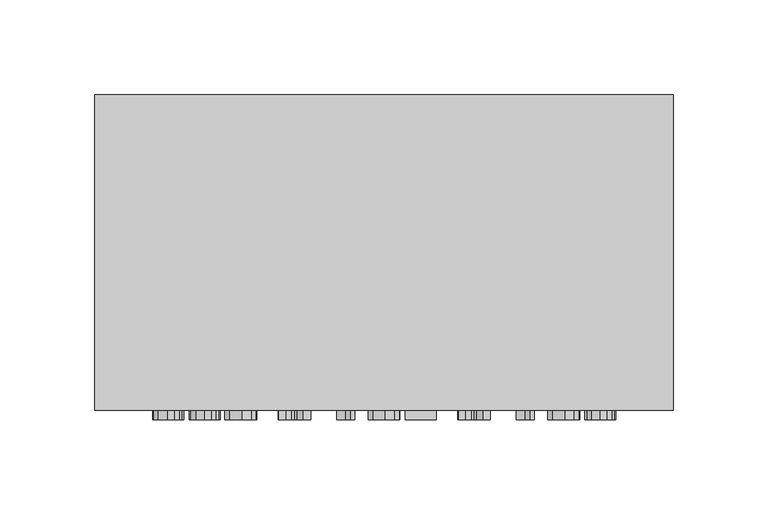
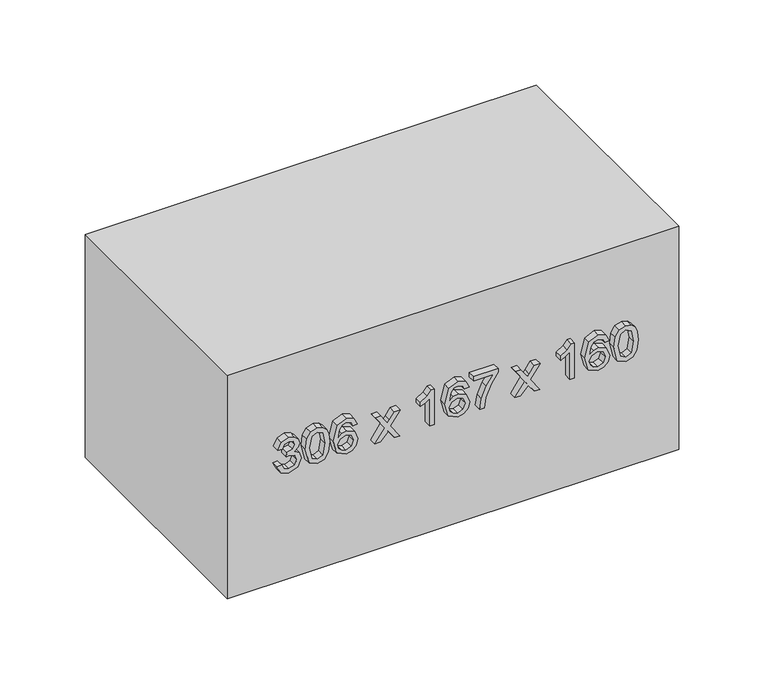
"""IFC4 building model written with IfcOpenShell, lengths in millimetres: furniture geometry."""

import ifcopenshell
import ifcopenshell.guid

model = None  # the IFC model being written
_history = None  # IfcOwnerHistory: only IFC2X3 demands one
_inside = {}  # id of a spatial element -> (the spatial element, [elements in it])
_under = {}  # id of a project, library or spatial element -> (it, [spatial elements below it])
_declared = {}  # id of a project -> (the project, [libraries it declares])
_typed = {}  # id of a type object -> (the type object, [elements of that type])
_made_of = {}  # id of a material, layer set ... -> (it, [elements and type objects made of it])


def new_model(schema):
    """Start an empty IFC model of exactly this schema.

    Asked for "IFC4X3", IfcOpenShell would pick the latest addendum, in which some entities
    have other attributes; the version numbers below select the first issue.
    IFC2X3 requires an IfcOwnerHistory on every rooted entity: one is made here for all.
    """
    global model, _history
    if schema == "IFC4X3":
        model = ifcopenshell.file(schema_version=(4, 3, 0, 0))
    else:
        model = ifcopenshell.file(schema=schema)
    _inside.clear()
    _under.clear()
    _declared.clear()
    _typed.clear()
    _made_of.clear()
    _history = None
    if model.schema == "IFC2X3":
        org = make("IfcOrganization", Name="unknown")
        user = make(
            "IfcPersonAndOrganization",
            ThePerson=make("IfcPerson", FamilyName="unknown"),
            TheOrganization=org,
        )
        app = make(
            "IfcApplication",
            ApplicationDeveloper=org,
            Version="unknown",
            ApplicationFullName="unknown",
            ApplicationIdentifier="unknown",
        )
        _history = make(
            "IfcOwnerHistory",
            OwningUser=user,
            OwningApplication=app,
            ChangeAction="ADDED",
            CreationDate=0,
        )
    return model


def make(cls, **values):
    """One entity of the class cls with the attributes given. An attribute that is None is left unset."""
    return model.create_entity(
        cls, **{name: value for name, value in values.items() if value is not None}
    )


def rooted(cls, **values):
    """An entity with a GlobalId (a new one), such as an element, a storey or a relation."""
    return make(cls, GlobalId=ifcopenshell.guid.new(), OwnerHistory=_history, **values)


def si_unit(unit_type, name, prefix=None):
    """IfcSIUnit, for example si_unit("LENGTHUNIT", "METRE", prefix="MILLI")."""
    return make("IfcSIUnit", UnitType=unit_type, Prefix=prefix, Name=name)


def assignment(units):
    """IfcUnitAssignment: the units of a project."""
    return None if units is None else make("IfcUnitAssignment", Units=units)


def point(xyz):
    """IfcCartesianPoint."""
    return None if xyz is None else make("IfcCartesianPoint", Coordinates=xyz)


def direction(xyz):
    """IfcDirection."""
    return None if xyz is None else make("IfcDirection", DirectionRatios=xyz)


def frame(location, z_axis=None, x_axis=None):
    """IfcAxis2Placement3D, a coordinate frame: its origin and axes. An axis left out is left unset."""
    return make(
        "IfcAxis2Placement3D",
        Location=point(location),
        Axis=direction(z_axis),
        RefDirection=direction(x_axis),
    )


def origin():
    """The frame at (0, 0, 0) with its axes left unset."""
    return frame((0.0, 0.0, 0.0))


def origin_with_axes():
    """The frame at (0, 0, 0) with the z axis (0, 0, 1) and the x axis (1, 0, 0) written out."""
    return frame((0.0, 0.0, 0.0), z_axis=(0.0, 0.0, 1.0), x_axis=(1.0, 0.0, 0.0))


def place(relative_to, where):
    """IfcLocalPlacement: puts the frame where relative to a parent placement (None: the world)."""
    return make(
        "IfcLocalPlacement", PlacementRelTo=relative_to, RelativePlacement=where
    )


def context(
    kind, dimensions, precision=None, world=None, true_north=None, identifier=None
):
    """IfcGeometricRepresentationContext, for example the 3D "Model" context."""
    return make(
        "IfcGeometricRepresentationContext",
        ContextIdentifier=identifier,
        ContextType=kind,
        CoordinateSpaceDimension=dimensions,
        Precision=precision,
        WorldCoordinateSystem=world,
        TrueNorth=true_north,
    )


def project(units=None, contexts=None):
    """IfcProject with its units and contexts."""
    return rooted(
        "IfcProject",
        Name="project",
        RepresentationContexts=contexts,
        UnitsInContext=assignment(units),
    )


def spatial(cls, under=None, at=None, **own):
    """A site, building, storey or space (cls), placed at a placement, below another one or the project."""
    s = rooted(cls, ObjectPlacement=at, **own)
    if under is not None:
        _under.setdefault(under.id(), (under, []))[1].append(s)
    return s


def polyline(points):
    """IfcPolyline through the points."""
    return make("IfcPolyline", Points=[point(p) for p in points])


def outline(outer, holes=None, kind="AREA"):
    """IfcArbitraryClosedProfileDef: a profile drawn as a closed curve; with holes, ...WithVoids."""
    if holes is None:
        return make("IfcArbitraryClosedProfileDef", ProfileType=kind, OuterCurve=outer)
    return make(
        "IfcArbitraryProfileDefWithVoids",
        ProfileType=kind,
        OuterCurve=outer,
        InnerCurves=holes,
    )


def extrude(swept, where, along, depth):
    """IfcExtrudedAreaSolid: the profile swept, set in the frame where, extruded along a direction by depth."""
    return make(
        "IfcExtrudedAreaSolid",
        SweptArea=swept,
        Position=where,
        ExtrudedDirection=direction(along),
        Depth=depth,
    )


def shape(context_of_items, identifier, shape_type, items):
    """IfcShapeRepresentation: the items that make up one representation, for example the "Body"."""
    return make(
        "IfcShapeRepresentation",
        ContextOfItems=context_of_items,
        RepresentationIdentifier=identifier,
        RepresentationType=shape_type,
        Items=items,
    )


def source(mapping_origin, context_of_items, identifier, shape_type, items):
    """IfcRepresentationMap: a shape defined once, which mapped items show again and again."""
    return make(
        "IfcRepresentationMap",
        MappingOrigin=mapping_origin,
        MappedRepresentation=shape(context_of_items, identifier, shape_type, items),
    )


def transform(
    local_origin,
    x_axis=None,
    y_axis=None,
    z_axis=None,
    scale=None,
    scale2=None,
    scale3=None,
    uniform=True,
):
    """IfcCartesianTransformationOperator3D, or its non-uniform kind. x_axis, y_axis, z_axis: its Axis1, 2, 3."""
    if uniform:
        return make(
            "IfcCartesianTransformationOperator3D",
            Axis1=direction(x_axis),
            Axis2=direction(y_axis),
            LocalOrigin=point(local_origin),
            Scale=scale,
            Axis3=direction(z_axis),
        )
    return make(
        "IfcCartesianTransformationOperator3DnonUniform",
        Axis1=direction(x_axis),
        Axis2=direction(y_axis),
        LocalOrigin=point(local_origin),
        Scale=scale,
        Axis3=direction(z_axis),
        Scale2=scale2,
        Scale3=scale3,
    )


def mapped(mapping_source, mapping_target):
    """IfcMappedItem: shows the shape of a source again, moved by a transform."""
    return make(
        "IfcMappedItem", MappingSource=mapping_source, MappingTarget=mapping_target
    )


def made_of(thing, what):
    """Note that an element or type object is made of a material, layer set ...; save() writes the relation."""
    if what is not None:
        _made_of.setdefault(what.id(), (what, []))[1].append(thing)
    return thing


def element(
    cls,
    number,
    at=None,
    inside=None,
    cuts=None,
    type_object=None,
    material=None,
    context=None,
    identifier="Body",
    shape_type=None,
    held_by="IfcProductDefinitionShape",
    body=None,
    shapes=None,
    **own,
):
    """One element of the class cls, such as IfcWall. Its Tag is "e" and its number.

    at: its placement. inside: the storey or other place that contains it. cuts: it is an
    opening in that element (IfcRelVoidsElement). A single representation is given by context,
    identifier, shape_type and body (its items); several are given by shapes. held_by: the class
    of the entity that holds the representations. save() writes the other relations.
    """
    e = rooted(cls, Tag="e%d" % number, ObjectPlacement=at, **own)
    if body is not None:
        shapes = [shape(context, identifier, shape_type, body)]
    if shapes is not None:
        e.Representation = make(held_by, Representations=shapes)
    if inside is not None:
        _inside.setdefault(inside.id(), (inside, []))[1].append(e)
    if cuts is not None:
        rooted(
            "IfcRelVoidsElement", RelatingBuildingElement=cuts, RelatedOpeningElement=e
        )
    if type_object is not None:
        _typed.setdefault(type_object.id(), (type_object, []))[1].append(e)
    return made_of(e, material)


def aggregate(whole, parts):
    """IfcRelAggregates: a whole, such as a stair, and the parts it consists of."""
    return rooted("IfcRelAggregates", RelatingObject=whole, RelatedObjects=parts)


def save(model, path):
    """Write the relations noted so far, then the file.

    IfcRelAggregates (storeys below a building ...), IfcRelContainedInSpatialStructure (elements
    in a storey), IfcRelDefinesByType, IfcRelAssociatesMaterial and IfcRelDeclares: one each for
    every whole, place, type object, material and project.
    """
    for whole, parts in _under.values():
        aggregate(whole, parts)
    for where, things in _inside.values():
        rooted(
            "IfcRelContainedInSpatialStructure",
            RelatedElements=things,
            RelatingStructure=where,
        )
    for kind, things in _typed.values():
        rooted("IfcRelDefinesByType", RelatedObjects=things, RelatingType=kind)
    for what, things in _made_of.values():
        rooted("IfcRelAssociatesMaterial", RelatedObjects=things, RelatingMaterial=what)
    for by, libraries in _declared.values():
        rooted("IfcRelDeclares", RelatingContext=by, RelatedDefinitions=libraries)
    model.write(path)


def furniture_bbf258a0(model_context):
    return source(origin(), model_context, "Body", "SweptSolid", [
        extrude(outline(polyline([(86.6709268, -77.5345978), (81.5757612, -75.0391316), (79.6075925, -69.5331644), (81.9129864, -63.4569801), (87.5293182, -61.0534844), (91.6128083, -62.2552323), (93.7587866, -65.6765349), (95.8373199, -63.1013609), (98.7313249, -62.2307068), (101.8981758, -63.1473461), (104.2526205, -65.7960965), (105.1140775, -69.5822154), (103.3666381, -74.5731478), (98.4431507, -77.1421904), (98.0507432, -74.0029307), (100.9937992, -72.4639577), (101.9748178, -69.4718508), (101.0029962, -66.5165321), (98.5473839, -65.3699665), (95.7760062, -66.9518591), (94.9114835, -71.0169551), (91.7722238, -71.366443), (92.1155804, -69.1652824), (90.8310591, -65.5968271), (87.5845005, -64.1927441), (84.1386724, -65.6090898), (82.7468522, -69.4227998), (83.7585277, -72.6632271), (87.0633343, -74.3953381), (86.6709268, -77.5345978)])), frame((0.0, -172.0, 0.0), z_axis=(0.0, 1.0, 0.0), x_axis=(0.0, 0.0, 1.0)), (0.0, 0.0, 1.0), 5.0),
        extrude(outline(polyline([(92.3547037, -58.3066322), (81.9988255, -55.8050346), (79.6075925, -50.0660755), (80.9840843, -45.4706163), (85.159545, -42.7390925), (92.3547037, -41.8255188), (98.256144, -42.3957359), (101.9717522, -43.8672639), (104.3047371, -46.3995183), (105.1140775, -50.0660755), (103.7467828, -54.6431407), (99.5805192, -57.3838615), (92.3547037, -58.3066322)]), holes=[polyline([(92.360835, -55.1673725), (100.2948234, -53.6467936), (101.9748178, -50.1028637), (100.0679628, -46.3872556), (92.360835, -44.9647785), (84.5709338, -46.4363065), (82.7468522, -50.0660755), (84.5648024, -53.6958445), (92.360835, -55.1673725)])]), frame((0.0, -172.0, 0.0), z_axis=(0.0, 1.0, 0.0), x_axis=(0.0, 0.0, 1.0)), (0.0, 0.0, 1.0), 5.0),
        extrude(outline(polyline([(98.4431507, -22.9899607), (103.3421126, -25.3076172), (105.1140775, -30.2678928), (102.2507293, -36.7242218), (91.7231729, -39.4710741), (82.4280212, -36.9970676), (79.6075925, -30.5989866), (80.6713846, -26.4848396), (83.7370679, -23.6337542), (88.0688784, -22.5975532), (93.8507571, -24.7987138), (96.0887059, -30.1330028), (95.2701685, -33.5635024), (92.7655052, -36.3318144), (98.3603772, -35.4397005), (101.2145284, -33.2967879), (101.9748178, -30.4640965), (100.6688368, -27.3187055), (98.0507432, -26.1292204), (98.4431507, -22.9899607)]), holes=[polyline([(88.1179294, -36.3318144), (91.615874, -34.7713816), (92.9494462, -30.973), (91.615874, -27.1255674), (87.9646452, -25.7368129), (84.1509352, -27.1439615), (82.7468522, -30.8442413), (83.4243682, -33.673867), (85.3986683, -35.6052474), (88.1179294, -36.3318144)])]), frame((0.0, -172.0, 0.0), z_axis=(0.0, 1.0, 0.0), x_axis=(0.0, 0.0, 1.0)), (0.0, 0.0, 1.0), 5.0),
        extrude(outline(polyline([(80.0, -11.2177368), (80.0, -7.440815), (85.5734122, -1.9655047), (80.0, 1.8788622), (80.0, 5.655784), (89.2706263, -0.7331), (98.4431507, 5.9010387), (98.4431507, 2.1241169), (93.648422, -1.3462366), (91.9439021, -2.5786413), (94.0285667, -4.0011184), (98.4431507, -7.0484076), (98.4431507, -10.8253294), (89.2706263, -4.5100218), (80.0, -11.2177368)])), frame((0.0, -172.0, 0.0), z_axis=(0.0, 1.0, 0.0), x_axis=(0.0, 0.0, 1.0)), (0.0, 0.0, 1.0), 5.0),
        extrude(outline(polyline([(80.0, 29.2002317), (105.1140775, 29.2002317), (105.1140775, 27.1768807), (101.7724827, 24.3840433), (98.8355582, 19.7824526), (95.8679767, 19.7824526), (97.452935, 23.0872592), (99.5713221, 26.060972), (80.0, 26.060972), (80.0, 29.2002317)])), frame((0.0, -172.0, 0.0), z_axis=(0.0, 1.0, 0.0), x_axis=(0.0, 0.0, 1.0)), (0.0, 0.0, 1.0), 5.0),
        extrude(outline(polyline([(98.4431507, 52.7446794), (103.3421126, 50.4270228), (105.1140775, 45.4667473), (102.2507293, 39.0104182), (91.7231729, 36.263566), (82.4280212, 38.7375724), (79.6075925, 45.1356535), (80.6713846, 49.2498004), (83.7370679, 52.1008859), (88.0688784, 53.1370869), (93.8507571, 50.9359263), (96.0887059, 45.6016373), (95.2701685, 42.1711377), (92.7655052, 39.4028257), (98.3603772, 40.2949395), (101.2145284, 42.4378522), (101.9748178, 45.2705435), (100.6688368, 48.4159346), (98.0507432, 49.6054197), (98.4431507, 52.7446794)]), holes=[polyline([(88.1179294, 39.4028257), (91.615874, 40.9632585), (92.9494462, 44.7616401), (91.615874, 48.6090726), (87.9646452, 49.9978272), (84.1509352, 48.5906785), (82.7468522, 44.8903988), (83.4243682, 42.0607731), (85.3986683, 40.1293926), (88.1179294, 39.4028257)])]), frame((0.0, -172.0, 0.0), z_axis=(0.0, 1.0, 0.0), x_axis=(0.0, 0.0, 1.0)), (0.0, 0.0, 1.0), 5.0),
        extrude(outline(polyline([(101.5824104, 55.8839391), (101.5824104, 69.2257928), (95.0862275, 64.480115), (87.0817284, 61.0557468), (80.0, 59.8080137), (80.0, 62.9472734), (86.824211, 64.112233), (95.429584, 67.6898854), (102.1832843, 72.3650525), (104.7216701, 72.3650525), (104.7216701, 55.8839391), (101.5824104, 55.8839391)])), frame((0.0, -172.0, 0.0), z_axis=(0.0, 1.0, 0.0), x_axis=(0.0, 0.0, 1.0)), (0.0, 0.0, 1.0), 5.0),
        extrude(outline(polyline([(80.0, 83.7448689), (80.0, 87.5217907), (85.5734122, 92.997101), (80.0, 96.8414679), (80.0, 100.6183897), (89.2706263, 94.2295057), (98.4431507, 100.8636444), (98.4431507, 97.0867225), (93.648422, 93.6163691), (91.9439021, 92.3839644), (94.0285667, 90.9614873), (98.4431507, 87.9141981), (98.4431507, 84.1372763), (89.2706263, 90.4525839), (80.0, 83.7448689)])), frame((0.0, -172.0, 0.0), z_axis=(0.0, 1.0, 0.0), x_axis=(0.0, 0.0, 1.0)), (0.0, 0.0, 1.0), 5.0),
        extrude(outline(polyline([(80.0, 124.1628374), (105.1140775, 124.1628374), (105.1140775, 122.1394864), (101.7724827, 119.3466489), (98.8355582, 114.7450583), (95.8679767, 114.7450583), (97.452935, 118.0498649), (99.5713221, 121.0235777), (80.0, 121.0235777), (80.0, 124.1628374)])), frame((0.0, -172.0, 0.0), z_axis=(0.0, 1.0, 0.0), x_axis=(0.0, 0.0, 1.0)), (0.0, 0.0, 1.0), 5.0),
        extrude(outline(polyline([(98.4431507, 147.7072851), (103.3421126, 145.3896285), (105.1140775, 140.4293529), (102.2507293, 133.9730239), (91.7231729, 131.2261717), (82.4280212, 133.7001781), (79.6075925, 140.0982591), (80.6713846, 144.2124061), (83.7370679, 147.0634916), (88.0688784, 148.0996925), (93.8507571, 145.8985319), (96.0887059, 140.564243), (95.2701685, 137.1337434), (92.7655052, 134.3654314), (98.3603772, 135.2575452), (101.2145284, 137.4004579), (101.9748178, 140.2331492), (100.6688368, 143.3785403), (98.0507432, 144.5680254), (98.4431507, 147.7072851)]), holes=[polyline([(88.1179294, 134.3654314), (91.615874, 135.9258642), (92.9494462, 139.7242458), (91.615874, 143.5716783), (87.9646452, 144.9604329), (84.1509352, 143.5532842), (82.7468522, 139.8530045), (83.4243682, 137.0233788), (85.3986683, 135.0919983), (88.1179294, 134.3654314)])]), frame((0.0, -172.0, 0.0), z_axis=(0.0, 1.0, 0.0), x_axis=(0.0, 0.0, 1.0)), (0.0, 0.0, 1.0), 5.0),
        extrude(outline(polyline([(92.3547037, 150.8465448), (81.9988255, 153.3481423), (79.6075925, 159.0871015), (80.9840843, 163.6825607), (85.159545, 166.4140845), (92.3547037, 167.3276582), (98.256144, 166.7574411), (101.9717522, 165.2859131), (104.3047371, 162.7536587), (105.1140775, 159.0871015), (103.7467828, 154.5100363), (99.5805192, 151.7693154), (92.3547037, 150.8465448)]), holes=[polyline([(92.360835, 153.9858045), (100.2948234, 155.5063834), (101.9748178, 159.0503133), (100.0679628, 162.7659214), (92.360835, 164.1883985), (84.5709338, 162.7168705), (82.7468522, 159.0871015), (84.5648024, 155.4573324), (92.360835, 153.9858045)])]), frame((0.0, -172.0, 0.0), z_axis=(0.0, 1.0, 0.0), x_axis=(0.0, 0.0, 1.0)), (0.0, 0.0, 1.0), 5.0),
        extrude(outline(polyline([(197.7003264, 0.0), (197.7003264, -167.0), (-108.2996736, -167.0), (-108.2996736, 0.0), (197.7003264, 0.0)])), origin_with_axes(), (0.0, 0.0, 1.0), 160.0),
    ])


if __name__ == "__main__":
    model = new_model("IFC4")
    model_context = context("Model", 3, world=origin())
    ifc_project = project(units=[si_unit("LENGTHUNIT", "METRE", prefix="MILLI")], contexts=[model_context])
    site = spatial("IfcSite", under=ifc_project)
    building = spatial("IfcBuilding", under=site)
    placement = place(None, origin())
    furniture_shape = furniture_bbf258a0(model_context)
    element("IfcFurniture", 1, at=placement, inside=building, context=model_context, shape_type="MappedRepresentation", body=[
        mapped(furniture_shape, transform((0.0, 0.0, 0.0), x_axis=(1.0, 0.0, 0.0), y_axis=(0.0, 1.0, 0.0), z_axis=(0.0, 0.0, 1.0))),
    ])
    save(model, "model.ifc")
